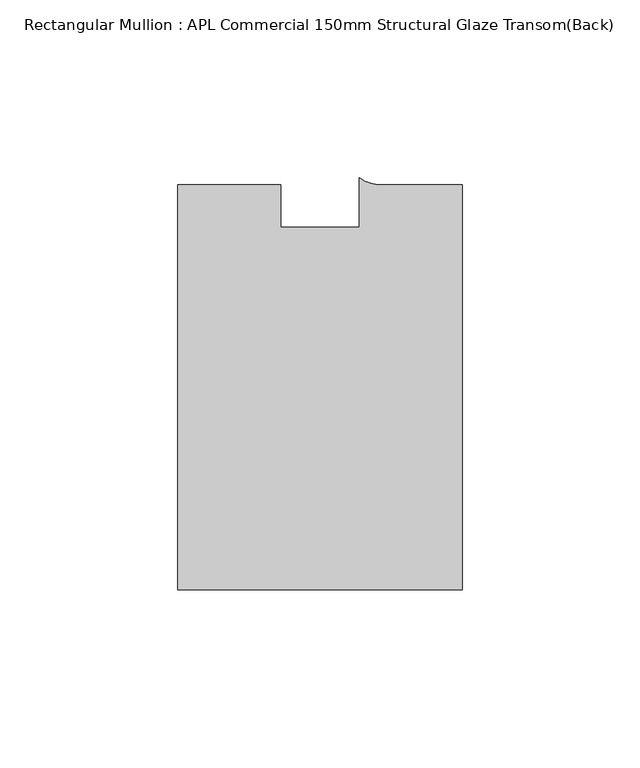
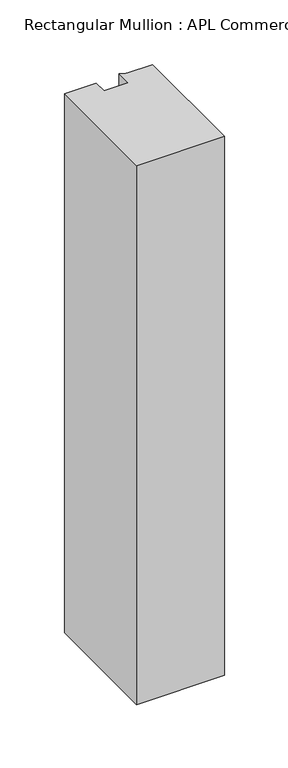
"""IFC4 building model written with IfcOpenShell, lengths in millimetres: member geometry, Rectangular Mullion : APL Commercial 150mm Structural Glaze Transom(Back)."""

from ifc_helpers import new_model, si_unit, point, frame, frame_2d, origin, place, context, project, spatial, polyline, circle_curve, trimmed, segment, composite_curve, outline, extrude, source, transform, mapped, element, save


def rectangular_mullion_apl_commercial_150mm_structural_glaze_b8e87706(model_context):
    return source(origin(), model_context, "Body", "SweptSolid", [
        extrude(outline(composite_curve([segment(polyline([(40.0, -128.9999975), (-40.0, -128.9999975), (-40.0, -15.0000829), (-11.0000151, -15.0000829), (-11.0000151, -27.0), (11.0000151, -27.0), (11.0000151, -13.0673455)]), True, "CONTINUOUS"), segment(trimmed(circle_curve(frame_2d((17.1097719, -4.581653)), 10.4563907), [point((11.0000151, -13.0673455))], [point((17.9999542, -15.0000829))], True, "CARTESIAN"), True, "CONTINUOUS"), segment(polyline([(17.9999542, -15.0000829), (40.0, -15.0000829), (40.0, -128.9999975)]), True, "CONTINUOUS")], self_intersect=False)), frame((0.0, 0.0, -518.8791392), z_axis=(0.0, 0.0, 1.0), x_axis=(1.0, 0.0, 0.0)), (0.0, 0.0, 1.0), 518.8791392),
    ])


if __name__ == "__main__":
    model = new_model("IFC4")
    model_context = context("Model", 3, world=origin())
    ifc_project = project(units=[si_unit("LENGTHUNIT", "METRE", prefix="MILLI")], contexts=[model_context])
    site = spatial("IfcSite", under=ifc_project)
    building = spatial("IfcBuilding", under=site)
    placement = place(None, origin())
    rectangular_mullion_apl_commercial_150mm_structural_glaze_shape = rectangular_mullion_apl_commercial_150mm_structural_glaze_b8e87706(model_context)
    element("IfcMember", 1, ObjectType="Rectangular Mullion : APL Commercial 150mm Structural Glaze Transom(Back)", at=placement, inside=building, context=model_context, shape_type="MappedRepresentation", body=[
        mapped(rectangular_mullion_apl_commercial_150mm_structural_glaze_shape, transform((0.0, 0.0, 0.0), x_axis=(1.0, 0.0, 0.0), y_axis=(0.0, 1.0, 0.0), z_axis=(0.0, 0.0, 1.0))),
    ])
    save(model, "model.ifc")
